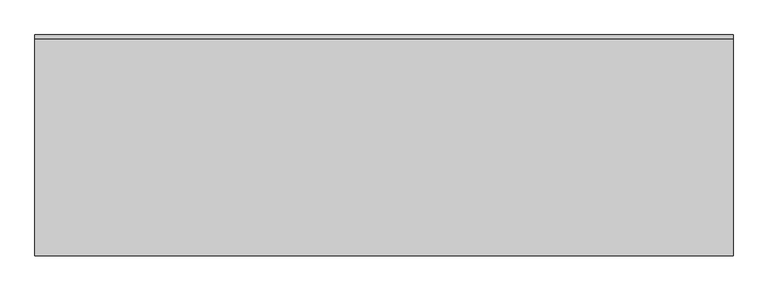
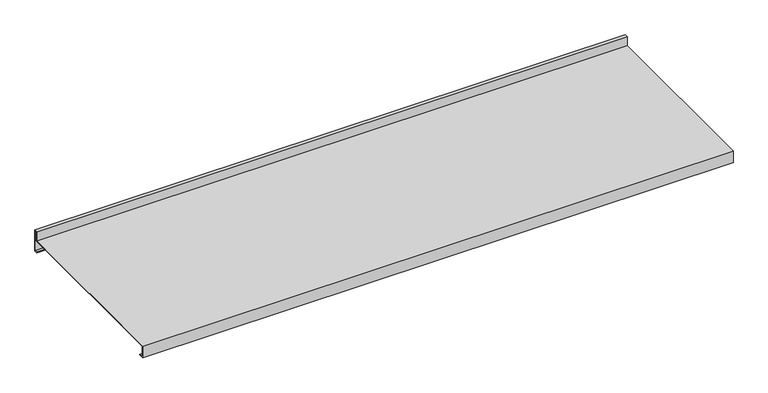
"""IFC4 building model written with IfcOpenShell, lengths in millimetres: furniture geometry."""

from ifc_helpers import new_model, si_unit, frame, origin, place, context, project, spatial, polyline, outline, extrude, source, transform, mapped, element, save


def furniture_f0d4369d(model_context):
    return source(origin(), model_context, "Body", "SweptSolid", [
        extrude(outline(polyline([(101.6000015, 2235.2), (101.6000015, 2190.75), (95.2500015, 2190.75), (95.2500015, 2192.3375), (100.0125015, 2192.3375), (100.0125015, 2233.6125), (96.8375015, 2233.6125), (96.8375015, 2214.5624998), (-272.7324985, 2214.5624998), (-272.7324985, 2192.3375), (-263.2074985, 2192.3375), (-263.2074985, 2190.75), (-274.3199985, 2190.75), (-274.3199985, 2216.1499998), (95.2500015, 2216.1499998), (95.2500015, 2235.2), (101.6000015, 2235.2)])), frame((-593.725, 0.0, 0.0), z_axis=(1.0, 0.0, 0.0), x_axis=(0.0, 1.0, 0.0)), (0.0, 0.0, 1.0), 1187.45),
    ])


if __name__ == "__main__":
    model = new_model("IFC4")
    model_context = context("Model", 3, world=origin())
    ifc_project = project(units=[si_unit("LENGTHUNIT", "METRE", prefix="MILLI")], contexts=[model_context])
    site = spatial("IfcSite", under=ifc_project)
    building = spatial("IfcBuilding", under=site)
    placement = place(None, origin())
    furniture_shape = furniture_f0d4369d(model_context)
    element("IfcFurniture", 1, at=placement, inside=building, context=model_context, shape_type="MappedRepresentation", body=[
        mapped(furniture_shape, transform((0.0, 0.0, 0.0), x_axis=(1.0, 0.0, 0.0), y_axis=(0.0, 1.0, 0.0), z_axis=(0.0, 0.0, 1.0))),
    ])
    save(model, "model.ifc")
